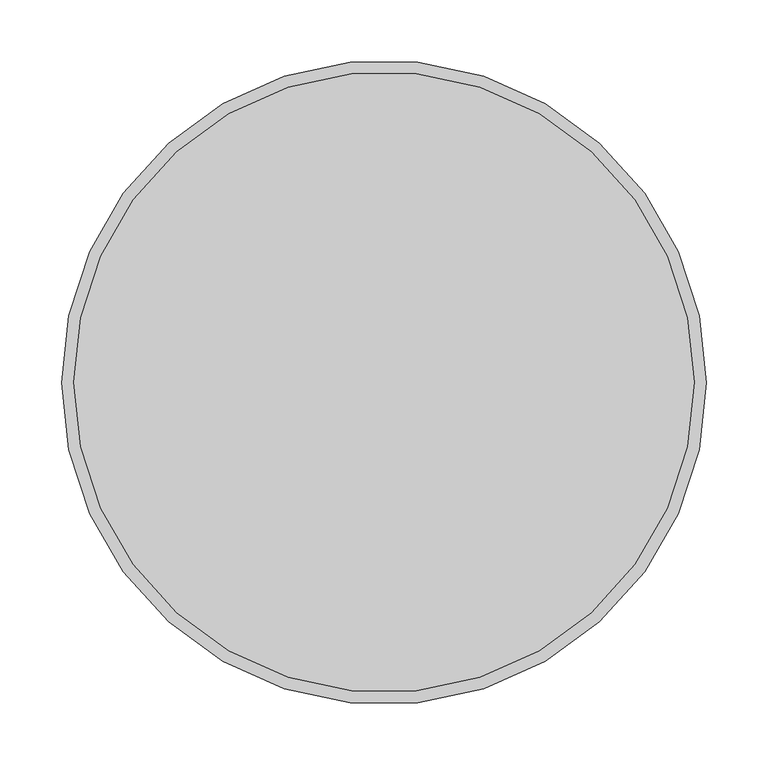
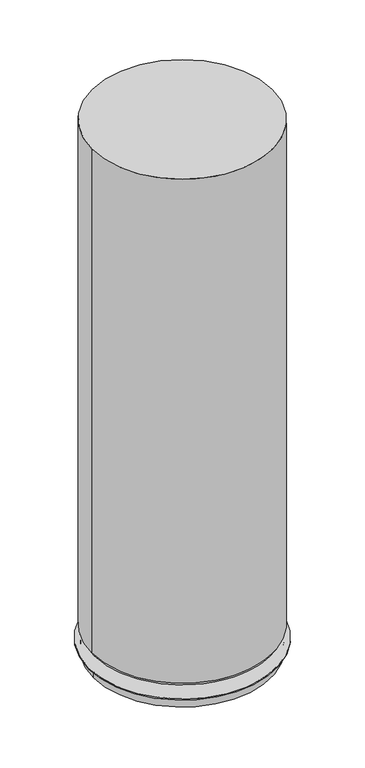
"""IFC4 building model written with IfcOpenShell, lengths in millimetres: furniture geometry."""

from ifc_helpers import new_model, si_unit, frame, origin, place, context, project, spatial, polyline, circle_curve, source, transform, mapped, element, save
from ifc_brep_helpers import plane_surface, cylinder_surface, revolved_surface, advanced_brep


def furniture_3097b95f(model_context):
    return source(origin(), model_context, "Body", "AdvancedBrep", [
        advanced_brep(
        [(560.6054133, 44.45, 33.0000002), (1080.5434133, 44.45, 33.0000002), (669.3492395, 94.0870673, 33.0000002), (647.6997067, 94.0870673, 33.0000002), (831.3991797, 211.0294905, 33.0000002), (809.7496468, 211.0294905, 33.0000002), (993.0988968, 93.7208599, 33.0000002), (971.4493639, 93.7208599, 33.0000002), (931.6970055, -96.0262239, 33.0000002), (910.0474727, -96.0262239, 33.0000002), (731.4391224, -96.4518387, 33.0000002), (709.7895895, -96.4518387, 33.0000002), (560.6054133, 44.45, 30.0000016), (1080.5434133, 44.45, 30.0000016), (574.2004548, 44.45, 30.0000016), (1066.9483717, 44.45, 30.0000016), (574.2004548, 44.45, 0.0), (1066.9483717, 44.45, 0.0), (647.6997067, 94.0870673, 64.0000043), (669.3492395, 94.0870673, 64.0000043), (809.7496468, 211.0294905, 64.0000043), (831.3991797, 211.0294905, 64.0000043), (971.4493639, 93.7208599, 64.0000043), (993.0988968, 93.7208599, 64.0000043), (910.0474727, -96.0262239, 64.0000043), (931.6970055, -96.0262239, 64.0000043), (709.7895895, -96.4518387, 64.0000043), (731.4391224, -96.4518387, 64.0000043)],
        [
            (0, 1, circle_curve(frame((820.5744133, 44.45, 33.0000002), z_axis=(0.0, 0.0, 1.0), x_axis=(1.0, 0.0, 0.0)), 259.969)),
            (1, 0, circle_curve(frame((820.5744133, 44.45, 33.0000002), z_axis=(0.0, 0.0, 1.0), x_axis=(1.0, 0.0, 0.0)), 259.969)),
            (2, 3, circle_curve(frame((658.5244731, 94.0870673, 33.0000002), z_axis=(0.0, 0.0, -1.0), x_axis=(1.0, 0.0, 0.0)), 10.8247664)),
            (3, 2, circle_curve(frame((658.5244731, 94.0870673, 33.0000002), z_axis=(0.0, 0.0, -1.0), x_axis=(1.0, 0.0, 0.0)), 10.8247664)),
            (4, 5, circle_curve(frame((820.5744133, 211.0294905, 33.0000002), z_axis=(0.0, 0.0, -1.0), x_axis=(1.0, 0.0, 0.0)), 10.8247664)),
            (5, 4, circle_curve(frame((820.5744133, 211.0294905, 33.0000002), z_axis=(0.0, 0.0, -1.0), x_axis=(1.0, 0.0, 0.0)), 10.8247664)),
            (6, 7, circle_curve(frame((982.2741304, 93.7208599, 33.0000002), z_axis=(0.0, 0.0, -1.0), x_axis=(1.0, 0.0, 0.0)), 10.8247664)),
            (7, 6, circle_curve(frame((982.2741304, 93.7208599, 33.0000002), z_axis=(0.0, 0.0, -1.0), x_axis=(1.0, 0.0, 0.0)), 10.8247664)),
            (8, 9, circle_curve(frame((920.8722391, -96.0262239, 33.0000002), z_axis=(0.0, 0.0, -1.0), x_axis=(1.0, 0.0, 0.0)), 10.8247664)),
            (9, 8, circle_curve(frame((920.8722391, -96.0262239, 33.0000002), z_axis=(0.0, 0.0, -1.0), x_axis=(1.0, 0.0, 0.0)), 10.8247664)),
            (10, 11, circle_curve(frame((720.614356, -96.4518387, 33.0000002), z_axis=(0.0, 0.0, -1.0), x_axis=(1.0, 0.0, 0.0)), 10.8247664)),
            (11, 10, circle_curve(frame((720.614356, -96.4518387, 33.0000002), z_axis=(0.0, 0.0, -1.0), x_axis=(1.0, 0.0, 0.0)), 10.8247664)),
            (12, 13, circle_curve(frame((820.5744133, 44.45, 30.0000016), z_axis=(0.0, 0.0, -1.0), x_axis=(1.0, 0.0, 0.0)), 259.969)),
            (13, 12, circle_curve(frame((820.5744133, 44.45, 30.0000016), z_axis=(0.0, 0.0, -1.0), x_axis=(1.0, 0.0, 0.0)), 259.969)),
            (14, 15, circle_curve(frame((820.5744133, 44.45, 30.0000016), z_axis=(0.0, 0.0, 1.0), x_axis=(1.0, 0.0, 0.0)), 246.3739585)),
            (15, 14, circle_curve(frame((820.5744133, 44.45, 30.0000016), z_axis=(0.0, 0.0, 1.0), x_axis=(1.0, 0.0, 0.0)), 246.3739585)),
            (0, 12),
            (13, 1),
            (16, 17, circle_curve(frame((820.5744133, 44.45, 0.0), z_axis=(0.0, 0.0, -1.0), x_axis=(1.0, 0.0, 0.0)), 246.3739585)),
            (17, 16, circle_curve(frame((820.5744133, 44.45, 0.0), z_axis=(0.0, 0.0, -1.0), x_axis=(1.0, 0.0, 0.0)), 246.3739585)),
            (17, 15),
            (14, 16),
            (18, 19, circle_curve(frame((658.5244731, 94.0870673, 64.0000043), z_axis=(0.0, 0.0, 1.0), x_axis=(1.0, 0.0, 0.0)), 10.8247664)),
            (19, 18, circle_curve(frame((658.5244731, 94.0870673, 64.0000043), z_axis=(0.0, 0.0, 1.0), x_axis=(1.0, 0.0, 0.0)), 10.8247664)),
            (20, 21, circle_curve(frame((820.5744133, 211.0294905, 64.0000043), z_axis=(0.0, 0.0, 1.0), x_axis=(1.0, 0.0, 0.0)), 10.8247664)),
            (21, 20, circle_curve(frame((820.5744133, 211.0294905, 64.0000043), z_axis=(0.0, 0.0, 1.0), x_axis=(1.0, 0.0, 0.0)), 10.8247664)),
            (22, 23, circle_curve(frame((982.2741304, 93.7208599, 64.0000043), z_axis=(0.0, 0.0, 1.0), x_axis=(1.0, 0.0, 0.0)), 10.8247664)),
            (23, 22, circle_curve(frame((982.2741304, 93.7208599, 64.0000043), z_axis=(0.0, 0.0, 1.0), x_axis=(1.0, 0.0, 0.0)), 10.8247664)),
            (24, 25, circle_curve(frame((920.8722391, -96.0262239, 64.0000043), z_axis=(0.0, 0.0, 1.0), x_axis=(1.0, 0.0, 0.0)), 10.8247664)),
            (25, 24, circle_curve(frame((920.8722391, -96.0262239, 64.0000043), z_axis=(0.0, 0.0, 1.0), x_axis=(1.0, 0.0, 0.0)), 10.8247664)),
            (26, 27, circle_curve(frame((720.614356, -96.4518387, 64.0000043), z_axis=(0.0, 0.0, 1.0), x_axis=(1.0, 0.0, 0.0)), 10.8247664)),
            (27, 26, circle_curve(frame((720.614356, -96.4518387, 64.0000043), z_axis=(0.0, 0.0, 1.0), x_axis=(1.0, 0.0, 0.0)), 10.8247664)),
            (18, 3),
            (2, 19),
            (20, 5),
            (4, 21),
            (22, 7),
            (6, 23),
            (24, 9),
            (8, 25),
            (26, 11),
            (10, 27),
        ],
        [
            plane_surface(frame((1080.5434133, 44.45, 33.0000002), z_axis=(0.0, 0.0, 1.0), x_axis=(0.0, 1.0, 0.0))),
            plane_surface(frame((1080.5434133, 44.45, 30.0000016), z_axis=(0.0, 0.0, -1.0), x_axis=(0.0, -1.0, 0.0))),
            cylinder_surface(frame((820.5744133, 44.45, 30.0000016), z_axis=(0.0, 0.0, 1.0), x_axis=(1.0, 0.0, 0.0)), 259.969),
            plane_surface(frame((1066.9483717, 44.45, 0.0), z_axis=(0.0, 0.0, -1.0), x_axis=(0.0, -1.0, 0.0))),
            cylinder_surface(frame((820.5744133, 44.45, 0.0), z_axis=(0.0, 0.0, 1.0), x_axis=(1.0, 0.0, 0.0)), 246.3739585),
            plane_surface(frame((669.3492395, 94.0870673, 64.0000043), z_axis=(0.0, 0.0, 1.0), x_axis=(0.0, 1.0, 0.0))),
            cylinder_surface(frame((658.5244731, 94.0870673, 33.0000002), z_axis=(0.0, 0.0, 1.0), x_axis=(1.0, 0.0, 0.0)), 10.8247664),
            cylinder_surface(frame((820.5744133, 211.0294905, 0.0), z_axis=(0.0, 0.0, 1.0), x_axis=(1.0, 0.0, 0.0)), 10.8247664),
            cylinder_surface(frame((982.2741304, 93.7208599, 0.0), z_axis=(0.0, 0.0, 1.0), x_axis=(1.0, 0.0, 0.0)), 10.8247664),
            cylinder_surface(frame((920.8722391, -96.0262239, 0.0), z_axis=(0.0, 0.0, 1.0), x_axis=(1.0, 0.0, 0.0)), 10.8247664),
            cylinder_surface(frame((720.614356, -96.4518387, 0.0), z_axis=(0.0, 0.0, 1.0), x_axis=(1.0, 0.0, 0.0)), 10.8247664),
        ],
        [
            (0, [[1, 2], [3, 4], [5, 6], [7, 8], [9, 10], [11, 12]]),
            (1, [[13, 14], [15, 16]]),
            (2, [[-1, 17, -14, 18]]),
            (2, [[-2, -18, -13, -17]]),
            (3, [[19, 20]]),
            (4, [[-20, 21, -15, 22]]),
            (4, [[-19, -22, -16, -21]]),
            (5, [[23, 24]]),
            (5, [[25, 26]]),
            (5, [[27, 28]]),
            (5, [[29, 30]]),
            (5, [[31, 32]]),
            (6, [[-23, 33, -3, 34]]),
            (6, [[-24, -34, -4, -33]]),
            (7, [[-25, 35, -5, 36]]),
            (7, [[-26, -36, -6, -35]]),
            (8, [[-27, 37, -7, 38]]),
            (8, [[-28, -38, -8, -37]]),
            (9, [[-29, 39, -9, 40]]),
            (9, [[-30, -40, -10, -39]]),
            (10, [[-31, 41, -11, 42]]),
            (10, [[-32, -42, -12, -41]]),
        ],
    ),
        advanced_brep(
        [(570.2842955, 44.45, 1549.8960937), (1070.864531, 44.45, 1549.8960937), (570.2842955, 44.45, 72.8366515), (1070.864531, 44.45, 72.8366515), (575.8522231, 44.45, 64.0000043), (1065.2966034, 44.45, 64.0000043)],
        [
            (0, 1, circle_curve(frame((820.5744133, 44.45, 1549.8960937), z_axis=(0.0, 0.0, 1.0), x_axis=(0.0, -1.0, 0.0)), 250.2901177)),
            (1, 0, circle_curve(frame((820.5744133, 44.45, 1549.8960937), z_axis=(0.0, 0.0, 1.0), x_axis=(0.0, 1.0, 0.0)), 250.2901177)),
            (0, 2),
            (2, 3, circle_curve(frame((820.5744133, 44.45, 72.8366515), z_axis=(0.0, 0.0, 1.0), x_axis=(0.0, -1.0, 0.0)), 250.2901177)),
            (3, 1),
            (3, 2, circle_curve(frame((820.5744133, 44.45, 72.8366515), z_axis=(0.0, 0.0, 1.0), x_axis=(0.0, 1.0, 0.0)), 250.2901177)),
            (4, 5, circle_curve(frame((820.5744133, 44.45, 64.0000043), z_axis=(0.0, 0.0, -1.0), x_axis=(1.0, 0.0, 0.0)), 244.7221901)),
            (5, 4, circle_curve(frame((820.5744133, 44.45, 64.0000043), z_axis=(0.0, 0.0, -1.0), x_axis=(-1.0, 0.0, 0.0)), 244.7221901)),
            (5, 3),
            (2, 4),
        ],
        [
            plane_surface(frame((820.5744133, 44.45, 1549.8960937), z_axis=(0.0, 0.0, 1.0), x_axis=(0.0, -1.0, 0.0))),
            cylinder_surface(frame((820.5744133, 44.45, 72.8366515), z_axis=(0.0, 0.0, 1.0), x_axis=(0.0, -1.0, 0.0)), 250.2901177),
            cylinder_surface(frame((820.5744133, 44.45, 72.8366515), z_axis=(0.0, 0.0, 1.0), x_axis=(0.0, 1.0, 0.0)), 250.2901177),
            plane_surface(frame((820.5744133, 44.45, 64.0000043), z_axis=(0.0, 0.0, -1.0), x_axis=(0.0, -1.0, 0.0))),
            revolved_surface(polyline([(1065.2966034173432, 44.45, 64.0000043), (1070.864531, 44.45, 72.83665150000002)]), (820.5744133, 44.45, -324.3893244), (0.0, 0.0, 1.0)),
            revolved_surface(polyline([(575.8522230848814, 44.45, 64.0000043), (570.2842955, 44.45, 72.83665150000002)]), (820.5744133, 44.45, -324.3893244), (0.0, 0.0, 1.0)),
        ],
        [
            (0, [[1, 2]]),
            (1, [[-1, 3, 4, 5]]),
            (2, [[-2, -5, 6, -3]]),
            (3, [[7, 8]]),
            (4, [[-8, 9, -4, 10]]),
            (5, [[-7, -10, -6, -9]]),
        ],
    ),
    ])


if __name__ == "__main__":
    model = new_model("IFC4")
    model_context = context("Model", 3, world=origin())
    ifc_project = project(units=[si_unit("LENGTHUNIT", "METRE", prefix="MILLI")], contexts=[model_context])
    site = spatial("IfcSite", under=ifc_project)
    building = spatial("IfcBuilding", under=site)
    placement = place(None, origin())
    furniture_shape = furniture_3097b95f(model_context)
    element("IfcFurniture", 1, at=placement, inside=building, context=model_context, shape_type="MappedRepresentation", body=[
        mapped(furniture_shape, transform((0.0, 0.0, 0.0), x_axis=(1.0, 0.0, 0.0), y_axis=(0.0, 1.0, 0.0), z_axis=(0.0, 0.0, 1.0))),
    ])
    save(model, "model.ifc")
